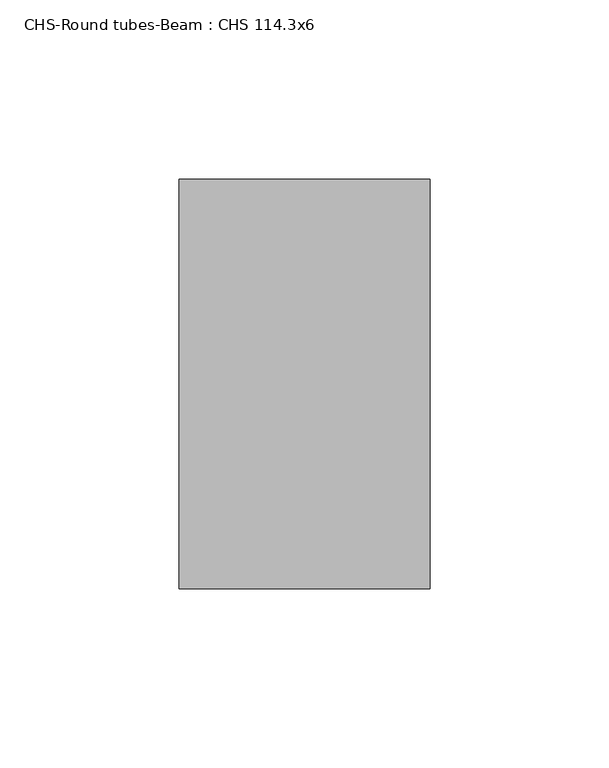
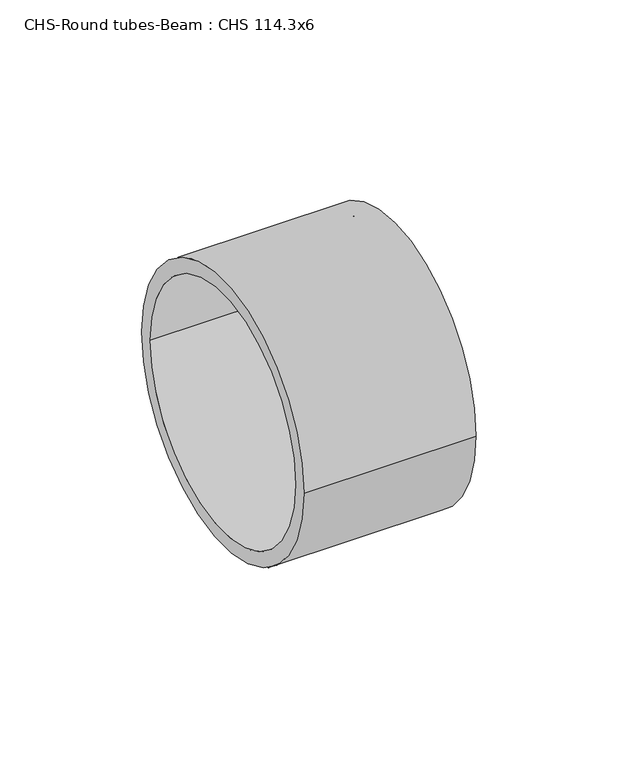
"""IFC4 building model written with IfcOpenShell, lengths in millimetres: beam geometry, CHS-Round tubes-Beam : CHS 114.3x6."""

import ifcopenshell
import ifcopenshell.guid

model = None  # the IFC model being written
_history = None  # IfcOwnerHistory: only IFC2X3 demands one
_inside = {}  # id of a spatial element -> (the spatial element, [elements in it])
_under = {}  # id of a project, library or spatial element -> (it, [spatial elements below it])
_declared = {}  # id of a project -> (the project, [libraries it declares])
_typed = {}  # id of a type object -> (the type object, [elements of that type])
_made_of = {}  # id of a material, layer set ... -> (it, [elements and type objects made of it])


def new_model(schema):
    """Start an empty IFC model of exactly this schema.

    Asked for "IFC4X3", IfcOpenShell would pick the latest addendum, in which some entities
    have other attributes; the version numbers below select the first issue.
    IFC2X3 requires an IfcOwnerHistory on every rooted entity: one is made here for all.
    """
    global model, _history
    if schema == "IFC4X3":
        model = ifcopenshell.file(schema_version=(4, 3, 0, 0))
    else:
        model = ifcopenshell.file(schema=schema)
    _inside.clear()
    _under.clear()
    _declared.clear()
    _typed.clear()
    _made_of.clear()
    _history = None
    if model.schema == "IFC2X3":
        org = make("IfcOrganization", Name="unknown")
        user = make(
            "IfcPersonAndOrganization",
            ThePerson=make("IfcPerson", FamilyName="unknown"),
            TheOrganization=org,
        )
        app = make(
            "IfcApplication",
            ApplicationDeveloper=org,
            Version="unknown",
            ApplicationFullName="unknown",
            ApplicationIdentifier="unknown",
        )
        _history = make(
            "IfcOwnerHistory",
            OwningUser=user,
            OwningApplication=app,
            ChangeAction="ADDED",
            CreationDate=0,
        )
    return model


def make(cls, **values):
    """One entity of the class cls with the attributes given. An attribute that is None is left unset."""
    return model.create_entity(
        cls, **{name: value for name, value in values.items() if value is not None}
    )


def rooted(cls, **values):
    """An entity with a GlobalId (a new one), such as an element, a storey or a relation."""
    return make(cls, GlobalId=ifcopenshell.guid.new(), OwnerHistory=_history, **values)


def si_unit(unit_type, name, prefix=None):
    """IfcSIUnit, for example si_unit("LENGTHUNIT", "METRE", prefix="MILLI")."""
    return make("IfcSIUnit", UnitType=unit_type, Prefix=prefix, Name=name)


def assignment(units):
    """IfcUnitAssignment: the units of a project."""
    return None if units is None else make("IfcUnitAssignment", Units=units)


def point(xyz):
    """IfcCartesianPoint."""
    return None if xyz is None else make("IfcCartesianPoint", Coordinates=xyz)


def direction(xyz):
    """IfcDirection."""
    return None if xyz is None else make("IfcDirection", DirectionRatios=xyz)


def frame(location, z_axis=None, x_axis=None):
    """IfcAxis2Placement3D, a coordinate frame: its origin and axes. An axis left out is left unset."""
    return make(
        "IfcAxis2Placement3D",
        Location=point(location),
        Axis=direction(z_axis),
        RefDirection=direction(x_axis),
    )


def frame_2d(location, x_axis=None):
    """IfcAxis2Placement2D, a coordinate frame in the plane: its origin and x axis."""
    return make(
        "IfcAxis2Placement2D", Location=point(location), RefDirection=direction(x_axis)
    )


def origin():
    """The frame at (0, 0, 0) with its axes left unset."""
    return frame((0.0, 0.0, 0.0))


def origin_2d():
    """The frame at (0, 0) in the plane with its x axis left unset."""
    return frame_2d((0.0, 0.0))


def place(relative_to, where):
    """IfcLocalPlacement: puts the frame where relative to a parent placement (None: the world)."""
    return make(
        "IfcLocalPlacement", PlacementRelTo=relative_to, RelativePlacement=where
    )


def context(
    kind, dimensions, precision=None, world=None, true_north=None, identifier=None
):
    """IfcGeometricRepresentationContext, for example the 3D "Model" context."""
    return make(
        "IfcGeometricRepresentationContext",
        ContextIdentifier=identifier,
        ContextType=kind,
        CoordinateSpaceDimension=dimensions,
        Precision=precision,
        WorldCoordinateSystem=world,
        TrueNorth=true_north,
    )


def project(units=None, contexts=None):
    """IfcProject with its units and contexts."""
    return rooted(
        "IfcProject",
        Name="project",
        RepresentationContexts=contexts,
        UnitsInContext=assignment(units),
    )


def spatial(cls, under=None, at=None, **own):
    """A site, building, storey or space (cls), placed at a placement, below another one or the project."""
    s = rooted(cls, ObjectPlacement=at, **own)
    if under is not None:
        _under.setdefault(under.id(), (under, []))[1].append(s)
    return s


def circle_curve(where, radius):
    """IfcCircle in the frame where."""
    return make("IfcCircle", Position=where, Radius=radius)


def trimmed(basis, trim1, trim2, sense, master):
    """IfcTrimmedCurve: the piece of a basis curve between two trims."""
    return make(
        "IfcTrimmedCurve",
        BasisCurve=basis,
        Trim1=trim1,
        Trim2=trim2,
        SenseAgreement=sense,
        MasterRepresentation=master,
    )


def segment(curve, same_sense, transition):
    """IfcCompositeCurveSegment."""
    return make(
        "IfcCompositeCurveSegment",
        Transition=transition,
        SameSense=same_sense,
        ParentCurve=curve,
    )


def composite_curve(segments, self_intersect=None):
    """IfcCompositeCurve: segments joined end to end."""
    return make("IfcCompositeCurve", Segments=segments, SelfIntersect=self_intersect)


def outline(outer, holes=None, kind="AREA"):
    """IfcArbitraryClosedProfileDef: a profile drawn as a closed curve; with holes, ...WithVoids."""
    if holes is None:
        return make("IfcArbitraryClosedProfileDef", ProfileType=kind, OuterCurve=outer)
    return make(
        "IfcArbitraryProfileDefWithVoids",
        ProfileType=kind,
        OuterCurve=outer,
        InnerCurves=holes,
    )


def extrude(swept, where, along, depth):
    """IfcExtrudedAreaSolid: the profile swept, set in the frame where, extruded along a direction by depth."""
    return make(
        "IfcExtrudedAreaSolid",
        SweptArea=swept,
        Position=where,
        ExtrudedDirection=direction(along),
        Depth=depth,
    )


def shape(context_of_items, identifier, shape_type, items):
    """IfcShapeRepresentation: the items that make up one representation, for example the "Body"."""
    return make(
        "IfcShapeRepresentation",
        ContextOfItems=context_of_items,
        RepresentationIdentifier=identifier,
        RepresentationType=shape_type,
        Items=items,
    )


def source(mapping_origin, context_of_items, identifier, shape_type, items):
    """IfcRepresentationMap: a shape defined once, which mapped items show again and again."""
    return make(
        "IfcRepresentationMap",
        MappingOrigin=mapping_origin,
        MappedRepresentation=shape(context_of_items, identifier, shape_type, items),
    )


def transform(
    local_origin,
    x_axis=None,
    y_axis=None,
    z_axis=None,
    scale=None,
    scale2=None,
    scale3=None,
    uniform=True,
):
    """IfcCartesianTransformationOperator3D, or its non-uniform kind. x_axis, y_axis, z_axis: its Axis1, 2, 3."""
    if uniform:
        return make(
            "IfcCartesianTransformationOperator3D",
            Axis1=direction(x_axis),
            Axis2=direction(y_axis),
            LocalOrigin=point(local_origin),
            Scale=scale,
            Axis3=direction(z_axis),
        )
    return make(
        "IfcCartesianTransformationOperator3DnonUniform",
        Axis1=direction(x_axis),
        Axis2=direction(y_axis),
        LocalOrigin=point(local_origin),
        Scale=scale,
        Axis3=direction(z_axis),
        Scale2=scale2,
        Scale3=scale3,
    )


def mapped(mapping_source, mapping_target):
    """IfcMappedItem: shows the shape of a source again, moved by a transform."""
    return make(
        "IfcMappedItem", MappingSource=mapping_source, MappingTarget=mapping_target
    )


def made_of(thing, what):
    """Note that an element or type object is made of a material, layer set ...; save() writes the relation."""
    if what is not None:
        _made_of.setdefault(what.id(), (what, []))[1].append(thing)
    return thing


def element(
    cls,
    number,
    at=None,
    inside=None,
    cuts=None,
    type_object=None,
    material=None,
    context=None,
    identifier="Body",
    shape_type=None,
    held_by="IfcProductDefinitionShape",
    body=None,
    shapes=None,
    **own,
):
    """One element of the class cls, such as IfcWall. Its Tag is "e" and its number.

    at: its placement. inside: the storey or other place that contains it. cuts: it is an
    opening in that element (IfcRelVoidsElement). A single representation is given by context,
    identifier, shape_type and body (its items); several are given by shapes. held_by: the class
    of the entity that holds the representations. save() writes the other relations.
    """
    e = rooted(cls, Tag="e%d" % number, ObjectPlacement=at, **own)
    if body is not None:
        shapes = [shape(context, identifier, shape_type, body)]
    if shapes is not None:
        e.Representation = make(held_by, Representations=shapes)
    if inside is not None:
        _inside.setdefault(inside.id(), (inside, []))[1].append(e)
    if cuts is not None:
        rooted(
            "IfcRelVoidsElement", RelatingBuildingElement=cuts, RelatedOpeningElement=e
        )
    if type_object is not None:
        _typed.setdefault(type_object.id(), (type_object, []))[1].append(e)
    return made_of(e, material)


def aggregate(whole, parts):
    """IfcRelAggregates: a whole, such as a stair, and the parts it consists of."""
    return rooted("IfcRelAggregates", RelatingObject=whole, RelatedObjects=parts)


def save(model, path):
    """Write the relations noted so far, then the file.

    IfcRelAggregates (storeys below a building ...), IfcRelContainedInSpatialStructure (elements
    in a storey), IfcRelDefinesByType, IfcRelAssociatesMaterial and IfcRelDeclares: one each for
    every whole, place, type object, material and project.
    """
    for whole, parts in _under.values():
        aggregate(whole, parts)
    for where, things in _inside.values():
        rooted(
            "IfcRelContainedInSpatialStructure",
            RelatedElements=things,
            RelatingStructure=where,
        )
    for kind, things in _typed.values():
        rooted("IfcRelDefinesByType", RelatedObjects=things, RelatingType=kind)
    for what, things in _made_of.values():
        rooted("IfcRelAssociatesMaterial", RelatedObjects=things, RelatingMaterial=what)
    for by, libraries in _declared.values():
        rooted("IfcRelDeclares", RelatingContext=by, RelatedDefinitions=libraries)
    model.write(path)


def chs_round_tubes_beam_chs_114_3x6_3f7bccb3(model_context):
    return source(origin(), model_context, "Body", "SweptSolid", [
        extrude(outline(composite_curve([segment(trimmed(circle_curve(origin_2d(), 57.15), [point((-57.15, 0.0))], [point((57.15, 0.0))], False, "CARTESIAN"), True, "CONTINUOUS"), segment(trimmed(circle_curve(origin_2d(), 57.15), [point((57.15, 0.0))], [point((-57.15, 0.0))], False, "CARTESIAN"), True, "CONTINUOUS")], self_intersect=False), holes=[composite_curve([segment(trimmed(circle_curve(origin_2d(), 51.15), [point((-51.15, 0.0))], [point((51.15, 0.0))], True, "CARTESIAN"), True, "CONTINUOUS"), segment(trimmed(circle_curve(origin_2d(), 51.15), [point((51.15, 0.0))], [point((-51.15, 0.0))], True, "CARTESIAN"), True, "CONTINUOUS")], self_intersect=False)]), frame((113.9120804, 0.0, 0.0), z_axis=(1.0, 0.0, 0.0), x_axis=(0.0, 1.0, 0.0)), (0.0, 0.0, 1.0), 70.0024004),
    ])


if __name__ == "__main__":
    model = new_model("IFC4")
    model_context = context("Model", 3, world=origin())
    ifc_project = project(units=[si_unit("LENGTHUNIT", "METRE", prefix="MILLI")], contexts=[model_context])
    site = spatial("IfcSite", under=ifc_project)
    building = spatial("IfcBuilding", under=site)
    placement = place(None, origin())
    chs_round_tubes_beam_chs_114_3x6_shape = chs_round_tubes_beam_chs_114_3x6_3f7bccb3(model_context)
    element("IfcBeam", 1, ObjectType="CHS-Round tubes-Beam : CHS 114.3x6", at=placement, inside=building, context=model_context, shape_type="MappedRepresentation", body=[
        mapped(chs_round_tubes_beam_chs_114_3x6_shape, transform((0.0, 0.0, 0.0), x_axis=(1.0, 0.0, 0.0), y_axis=(0.0, 1.0, 0.0), z_axis=(0.0, 0.0, 1.0))),
    ])
    save(model, "model.ifc")
